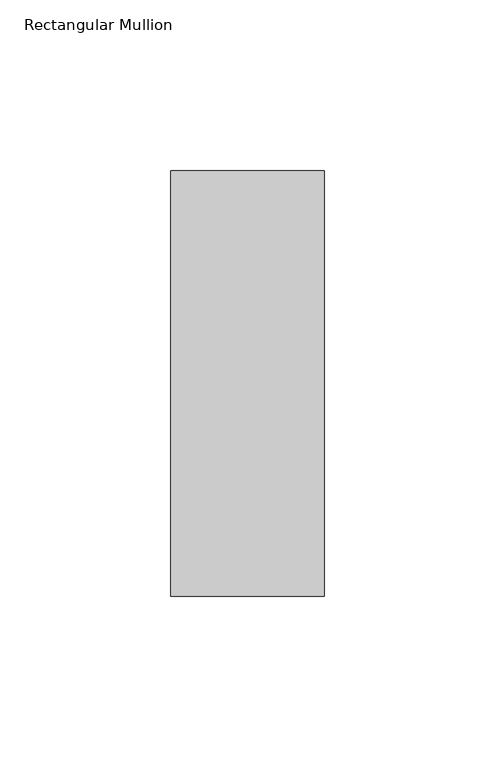
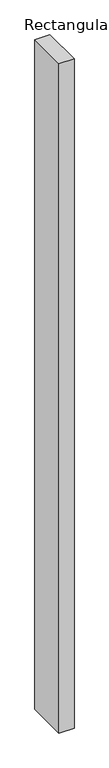
"""IFC4 building model written with IfcOpenShell, lengths in millimetres: member geometry, Rectangular Mullion."""

import ifcopenshell
import ifcopenshell.guid

model = None  # the IFC model being written
_history = None  # IfcOwnerHistory: only IFC2X3 demands one
_inside = {}  # id of a spatial element -> (the spatial element, [elements in it])
_under = {}  # id of a project, library or spatial element -> (it, [spatial elements below it])
_declared = {}  # id of a project -> (the project, [libraries it declares])
_typed = {}  # id of a type object -> (the type object, [elements of that type])
_made_of = {}  # id of a material, layer set ... -> (it, [elements and type objects made of it])


def new_model(schema):
    """Start an empty IFC model of exactly this schema.

    Asked for "IFC4X3", IfcOpenShell would pick the latest addendum, in which some entities
    have other attributes; the version numbers below select the first issue.
    IFC2X3 requires an IfcOwnerHistory on every rooted entity: one is made here for all.
    """
    global model, _history
    if schema == "IFC4X3":
        model = ifcopenshell.file(schema_version=(4, 3, 0, 0))
    else:
        model = ifcopenshell.file(schema=schema)
    _inside.clear()
    _under.clear()
    _declared.clear()
    _typed.clear()
    _made_of.clear()
    _history = None
    if model.schema == "IFC2X3":
        org = make("IfcOrganization", Name="unknown")
        user = make(
            "IfcPersonAndOrganization",
            ThePerson=make("IfcPerson", FamilyName="unknown"),
            TheOrganization=org,
        )
        app = make(
            "IfcApplication",
            ApplicationDeveloper=org,
            Version="unknown",
            ApplicationFullName="unknown",
            ApplicationIdentifier="unknown",
        )
        _history = make(
            "IfcOwnerHistory",
            OwningUser=user,
            OwningApplication=app,
            ChangeAction="ADDED",
            CreationDate=0,
        )
    return model


def make(cls, **values):
    """One entity of the class cls with the attributes given. An attribute that is None is left unset."""
    return model.create_entity(
        cls, **{name: value for name, value in values.items() if value is not None}
    )


def rooted(cls, **values):
    """An entity with a GlobalId (a new one), such as an element, a storey or a relation."""
    return make(cls, GlobalId=ifcopenshell.guid.new(), OwnerHistory=_history, **values)


def si_unit(unit_type, name, prefix=None):
    """IfcSIUnit, for example si_unit("LENGTHUNIT", "METRE", prefix="MILLI")."""
    return make("IfcSIUnit", UnitType=unit_type, Prefix=prefix, Name=name)


def assignment(units):
    """IfcUnitAssignment: the units of a project."""
    return None if units is None else make("IfcUnitAssignment", Units=units)


def point(xyz):
    """IfcCartesianPoint."""
    return None if xyz is None else make("IfcCartesianPoint", Coordinates=xyz)


def direction(xyz):
    """IfcDirection."""
    return None if xyz is None else make("IfcDirection", DirectionRatios=xyz)


def frame(location, z_axis=None, x_axis=None):
    """IfcAxis2Placement3D, a coordinate frame: its origin and axes. An axis left out is left unset."""
    return make(
        "IfcAxis2Placement3D",
        Location=point(location),
        Axis=direction(z_axis),
        RefDirection=direction(x_axis),
    )


def origin():
    """The frame at (0, 0, 0) with its axes left unset."""
    return frame((0.0, 0.0, 0.0))


def place(relative_to, where):
    """IfcLocalPlacement: puts the frame where relative to a parent placement (None: the world)."""
    return make(
        "IfcLocalPlacement", PlacementRelTo=relative_to, RelativePlacement=where
    )


def context(
    kind, dimensions, precision=None, world=None, true_north=None, identifier=None
):
    """IfcGeometricRepresentationContext, for example the 3D "Model" context."""
    return make(
        "IfcGeometricRepresentationContext",
        ContextIdentifier=identifier,
        ContextType=kind,
        CoordinateSpaceDimension=dimensions,
        Precision=precision,
        WorldCoordinateSystem=world,
        TrueNorth=true_north,
    )


def project(units=None, contexts=None):
    """IfcProject with its units and contexts."""
    return rooted(
        "IfcProject",
        Name="project",
        RepresentationContexts=contexts,
        UnitsInContext=assignment(units),
    )


def spatial(cls, under=None, at=None, **own):
    """A site, building, storey or space (cls), placed at a placement, below another one or the project."""
    s = rooted(cls, ObjectPlacement=at, **own)
    if under is not None:
        _under.setdefault(under.id(), (under, []))[1].append(s)
    return s


def polyline(points):
    """IfcPolyline through the points."""
    return make("IfcPolyline", Points=[point(p) for p in points])


def outline(outer, holes=None, kind="AREA"):
    """IfcArbitraryClosedProfileDef: a profile drawn as a closed curve; with holes, ...WithVoids."""
    if holes is None:
        return make("IfcArbitraryClosedProfileDef", ProfileType=kind, OuterCurve=outer)
    return make(
        "IfcArbitraryProfileDefWithVoids",
        ProfileType=kind,
        OuterCurve=outer,
        InnerCurves=holes,
    )


def extrude(swept, where, along, depth):
    """IfcExtrudedAreaSolid: the profile swept, set in the frame where, extruded along a direction by depth."""
    return make(
        "IfcExtrudedAreaSolid",
        SweptArea=swept,
        Position=where,
        ExtrudedDirection=direction(along),
        Depth=depth,
    )


def shape(context_of_items, identifier, shape_type, items):
    """IfcShapeRepresentation: the items that make up one representation, for example the "Body"."""
    return make(
        "IfcShapeRepresentation",
        ContextOfItems=context_of_items,
        RepresentationIdentifier=identifier,
        RepresentationType=shape_type,
        Items=items,
    )


def source(mapping_origin, context_of_items, identifier, shape_type, items):
    """IfcRepresentationMap: a shape defined once, which mapped items show again and again."""
    return make(
        "IfcRepresentationMap",
        MappingOrigin=mapping_origin,
        MappedRepresentation=shape(context_of_items, identifier, shape_type, items),
    )


def transform(
    local_origin,
    x_axis=None,
    y_axis=None,
    z_axis=None,
    scale=None,
    scale2=None,
    scale3=None,
    uniform=True,
):
    """IfcCartesianTransformationOperator3D, or its non-uniform kind. x_axis, y_axis, z_axis: its Axis1, 2, 3."""
    if uniform:
        return make(
            "IfcCartesianTransformationOperator3D",
            Axis1=direction(x_axis),
            Axis2=direction(y_axis),
            LocalOrigin=point(local_origin),
            Scale=scale,
            Axis3=direction(z_axis),
        )
    return make(
        "IfcCartesianTransformationOperator3DnonUniform",
        Axis1=direction(x_axis),
        Axis2=direction(y_axis),
        LocalOrigin=point(local_origin),
        Scale=scale,
        Axis3=direction(z_axis),
        Scale2=scale2,
        Scale3=scale3,
    )


def mapped(mapping_source, mapping_target):
    """IfcMappedItem: shows the shape of a source again, moved by a transform."""
    return make(
        "IfcMappedItem", MappingSource=mapping_source, MappingTarget=mapping_target
    )


def made_of(thing, what):
    """Note that an element or type object is made of a material, layer set ...; save() writes the relation."""
    if what is not None:
        _made_of.setdefault(what.id(), (what, []))[1].append(thing)
    return thing


def element(
    cls,
    number,
    at=None,
    inside=None,
    cuts=None,
    type_object=None,
    material=None,
    context=None,
    identifier="Body",
    shape_type=None,
    held_by="IfcProductDefinitionShape",
    body=None,
    shapes=None,
    **own,
):
    """One element of the class cls, such as IfcWall. Its Tag is "e" and its number.

    at: its placement. inside: the storey or other place that contains it. cuts: it is an
    opening in that element (IfcRelVoidsElement). A single representation is given by context,
    identifier, shape_type and body (its items); several are given by shapes. held_by: the class
    of the entity that holds the representations. save() writes the other relations.
    """
    e = rooted(cls, Tag="e%d" % number, ObjectPlacement=at, **own)
    if body is not None:
        shapes = [shape(context, identifier, shape_type, body)]
    if shapes is not None:
        e.Representation = make(held_by, Representations=shapes)
    if inside is not None:
        _inside.setdefault(inside.id(), (inside, []))[1].append(e)
    if cuts is not None:
        rooted(
            "IfcRelVoidsElement", RelatingBuildingElement=cuts, RelatedOpeningElement=e
        )
    if type_object is not None:
        _typed.setdefault(type_object.id(), (type_object, []))[1].append(e)
    return made_of(e, material)


def aggregate(whole, parts):
    """IfcRelAggregates: a whole, such as a stair, and the parts it consists of."""
    return rooted("IfcRelAggregates", RelatingObject=whole, RelatedObjects=parts)


def save(model, path):
    """Write the relations noted so far, then the file.

    IfcRelAggregates (storeys below a building ...), IfcRelContainedInSpatialStructure (elements
    in a storey), IfcRelDefinesByType, IfcRelAssociatesMaterial and IfcRelDeclares: one each for
    every whole, place, type object, material and project.
    """
    for whole, parts in _under.values():
        aggregate(whole, parts)
    for where, things in _inside.values():
        rooted(
            "IfcRelContainedInSpatialStructure",
            RelatedElements=things,
            RelatingStructure=where,
        )
    for kind, things in _typed.values():
        rooted("IfcRelDefinesByType", RelatedObjects=things, RelatingType=kind)
    for what, things in _made_of.values():
        rooted("IfcRelAssociatesMaterial", RelatedObjects=things, RelatingMaterial=what)
    for by, libraries in _declared.values():
        rooted("IfcRelDeclares", RelatingContext=by, RelatedDefinitions=libraries)
    model.write(path)


def rectangular_mullion_79e4012d(model_context):
    return source(origin(), model_context, "Body", "SweptSolid", [
        extrude(outline(polyline([(22.5, -77.84375), (-22.5, -77.84375), (-22.5, 46.84375), (22.5, 46.84375), (22.5, -77.84375)])), frame((0.0, 0.0, -2116.9), z_axis=(0.0, 0.0, 1.0), x_axis=(1.0, 0.0, 0.0)), (0.0, 0.0, 1.0), 2116.9),
    ])


if __name__ == "__main__":
    model = new_model("IFC4")
    model_context = context("Model", 3, world=origin())
    ifc_project = project(units=[si_unit("LENGTHUNIT", "METRE", prefix="MILLI")], contexts=[model_context])
    site = spatial("IfcSite", under=ifc_project)
    building = spatial("IfcBuilding", under=site)
    placement = place(None, origin())
    rectangular_mullion_shape = rectangular_mullion_79e4012d(model_context)
    element("IfcMember", 1, ObjectType="Rectangular Mullion", at=placement, inside=building, context=model_context, shape_type="MappedRepresentation", body=[
        mapped(rectangular_mullion_shape, transform((0.0, 0.0, 0.0), x_axis=(1.0, 0.0, 0.0), y_axis=(0.0, 1.0, 0.0), z_axis=(0.0, 0.0, 1.0))),
    ])
    save(model, "model.ifc")
